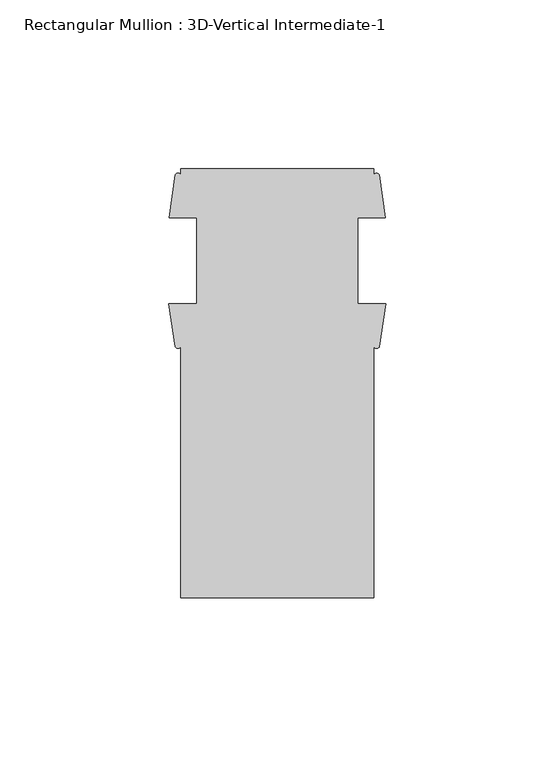
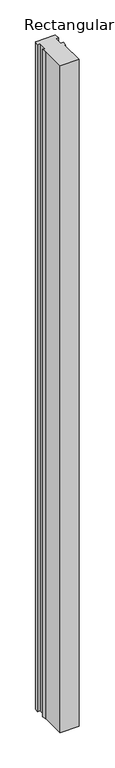
"""IFC4 building model written with IfcOpenShell, lengths in millimetres: member geometry, Rectangular Mullion : 3D-Vertical Intermediate-1."""

from ifc_helpers import new_model, si_unit, point, frame, frame_2d, origin, place, context, project, spatial, polyline, circle_curve, trimmed, segment, composite_curve, outline, extrude, source, transform, mapped, element, save


def rectangular_mullion_3d_vertical_intermediate_1_336716f5(model_context):
    return source(origin(), model_context, "Body", "SweptSolid", [
        extrude(outline(composite_curve([segment(polyline([(-28.575, -73.025), (-28.575, 1.2984222)]), True, "CONTINUOUS"), segment(trimmed(circle_curve(frame_2d((-29.4067022, 1.834513)), 0.9895059), [point((-28.575, 1.2984222))], [point((-30.2384044, 1.2984222))], False, "CARTESIAN"), True, "CONTINUOUS"), segment(polyline([(-30.2384044, 1.2984222), (-32.0945217, 14.071475), (-23.8125, 14.071475), (-23.8125, 39.471475), (-31.971, 39.471475), (-30.1608963, 52.2427625)]), True, "CONTINUOUS"), segment(trimmed(circle_curve(frame_2d((-29.3679481, 51.7698358)), 0.9232694), [point((-30.1608963, 52.2427625))], [point((-28.575, 52.2427625))], False, "CARTESIAN"), True, "CONTINUOUS"), segment(polyline([(-28.575, 52.2427625), (-28.575, 53.975), (28.575, 53.975), (28.575, 52.2427625)]), True, "CONTINUOUS"), segment(trimmed(circle_curve(frame_2d((29.3679481, 51.7864126)), 0.914889), [point((28.575, 52.2427625))], [point((30.1608963, 52.2427625))], False, "CARTESIAN"), True, "CONTINUOUS"), segment(polyline([(30.1608963, 52.2427625), (31.971, 39.471475), (23.8125, 39.471475), (23.8125, 14.071475), (32.0945217, 14.071475), (30.2384044, 1.2984222)]), True, "CONTINUOUS"), segment(trimmed(circle_curve(frame_2d((29.4067022, 1.8757809)), 1.0124582), [point((30.2384044, 1.2984222))], [point((28.575, 1.2984222))], False, "CARTESIAN"), True, "CONTINUOUS"), segment(polyline([(28.575, 1.2984222), (28.575, -73.025), (-28.575, -73.025)]), True, "CONTINUOUS")], self_intersect=False)), frame((0.0, 0.0, -2136.7488234), z_axis=(0.0, 0.0, 1.0), x_axis=(1.0, 0.0, 0.0)), (0.0, 0.0, 1.0), 2136.7488234),
    ])


if __name__ == "__main__":
    model = new_model("IFC4")
    model_context = context("Model", 3, world=origin())
    ifc_project = project(units=[si_unit("LENGTHUNIT", "METRE", prefix="MILLI")], contexts=[model_context])
    site = spatial("IfcSite", under=ifc_project)
    building = spatial("IfcBuilding", under=site)
    placement = place(None, origin())
    rectangular_mullion_3d_vertical_intermediate_1_shape = rectangular_mullion_3d_vertical_intermediate_1_336716f5(model_context)
    element("IfcMember", 1, ObjectType="Rectangular Mullion : 3D-Vertical Intermediate-1", at=placement, inside=building, context=model_context, shape_type="MappedRepresentation", body=[
        mapped(rectangular_mullion_3d_vertical_intermediate_1_shape, transform((0.0, 0.0, 0.0), x_axis=(1.0, 0.0, 0.0), y_axis=(0.0, 1.0, 0.0), z_axis=(0.0, 0.0, 1.0))),
    ])
    save(model, "model.ifc")
